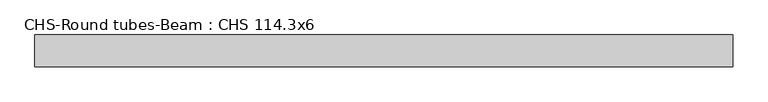
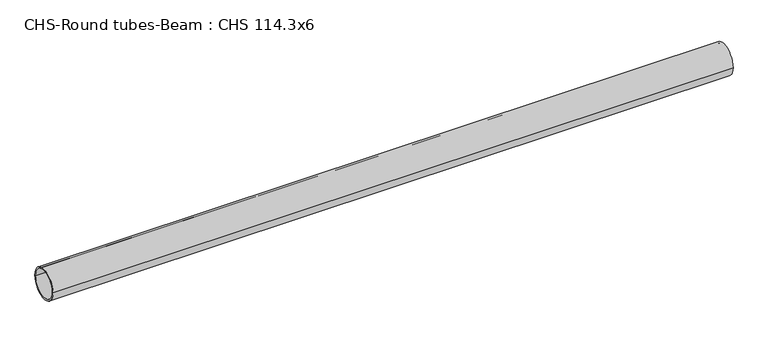
"""IFC4 building model written with IfcOpenShell, lengths in millimetres: beam geometry, CHS-Round tubes-Beam : CHS 114.3x6."""

from ifc_helpers import new_model, si_unit, point, frame, origin, origin_2d, place, context, project, spatial, circle_curve, trimmed, segment, composite_curve, outline, extrude, source, transform, mapped, element, save


def chs_round_tubes_beam_chs_114_3x6_106ebdfb(model_context):
    return source(origin(), model_context, "Body", "SweptSolid", [
        extrude(outline(composite_curve([segment(trimmed(circle_curve(origin_2d(), 57.15), [point((57.15, 0.0))], [point((-57.15, 0.0))], False, "CARTESIAN"), True, "CONTINUOUS"), segment(trimmed(circle_curve(origin_2d(), 57.15), [point((-57.15, 0.0))], [point((57.15, 0.0))], False, "CARTESIAN"), True, "CONTINUOUS")], self_intersect=False), holes=[composite_curve([segment(trimmed(circle_curve(origin_2d(), 51.15), [point((51.15, 0.0))], [point((-51.15, 0.0))], True, "CARTESIAN"), True, "CONTINUOUS"), segment(trimmed(circle_curve(origin_2d(), 51.15), [point((-51.15, 0.0))], [point((51.15, 0.0))], True, "CARTESIAN"), True, "CONTINUOUS")], self_intersect=False)]), frame((-1200.5360587, 0.0, 0.0), z_axis=(1.0, 0.0, 0.0), x_axis=(0.0, 1.0, 0.0)), (0.0, 0.0, 1.0), 2488.5838228),
    ])


if __name__ == "__main__":
    model = new_model("IFC4")
    model_context = context("Model", 3, world=origin())
    ifc_project = project(units=[si_unit("LENGTHUNIT", "METRE", prefix="MILLI")], contexts=[model_context])
    site = spatial("IfcSite", under=ifc_project)
    building = spatial("IfcBuilding", under=site)
    placement = place(None, origin())
    chs_round_tubes_beam_chs_114_3x6_shape = chs_round_tubes_beam_chs_114_3x6_106ebdfb(model_context)
    element("IfcBeam", 1, ObjectType="CHS-Round tubes-Beam : CHS 114.3x6", at=placement, inside=building, context=model_context, shape_type="MappedRepresentation", body=[
        mapped(chs_round_tubes_beam_chs_114_3x6_shape, transform((0.0, 0.0, 0.0), x_axis=(1.0, 0.0, 0.0), y_axis=(0.0, 1.0, 0.0), z_axis=(0.0, 0.0, 1.0))),
    ])
    save(model, "model.ifc")
